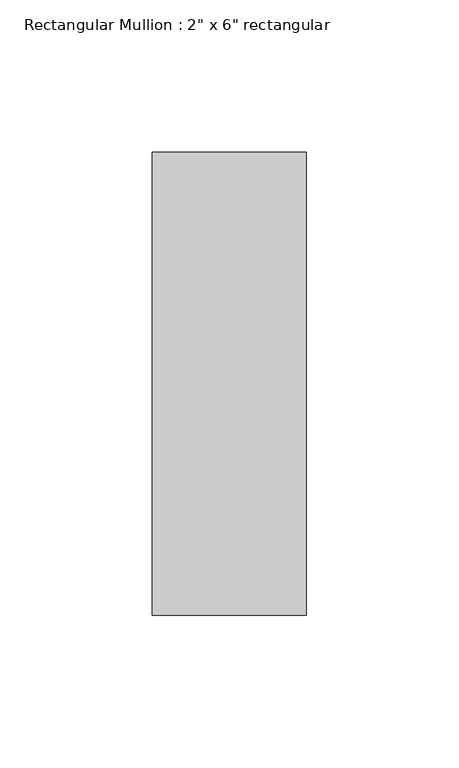
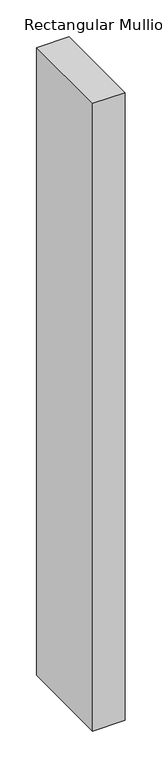
"""IFC4 building model written with IfcOpenShell, lengths in millimetres: member geometry."""

from ifc_helpers import new_model, si_unit, frame, origin, place, context, project, spatial, polyline, outline, extrude, source, transform, mapped, element, save


def member_adbec374(model_context):
    return source(origin(), model_context, "Body", "SweptSolid", [
        extrude(outline(polyline([(0.0, 76.2), (0.0, -76.2), (-50.8, -76.2), (-50.8, 76.2), (0.0, 76.2)])), frame((0.0, 0.0, -1041.4), z_axis=(0.0, 0.0, 1.0), x_axis=(1.0, 0.0, 0.0)), (0.0, 0.0, 1.0), 1041.4),
    ])


if __name__ == "__main__":
    model = new_model("IFC4")
    model_context = context("Model", 3, world=origin())
    ifc_project = project(units=[si_unit("LENGTHUNIT", "METRE", prefix="MILLI")], contexts=[model_context])
    site = spatial("IfcSite", under=ifc_project)
    building = spatial("IfcBuilding", under=site)
    placement = place(None, origin())
    member_shape = member_adbec374(model_context)
    element("IfcMember", 1, ObjectType="Rectangular Mullion : 2\" x 6\" rectangular", at=placement, inside=building, context=model_context, shape_type="MappedRepresentation", body=[
        mapped(member_shape, transform((0.0, 0.0, 0.0), x_axis=(1.0, 0.0, 0.0), y_axis=(0.0, 1.0, 0.0), z_axis=(0.0, 0.0, 1.0))),
    ])
    save(model, "model.ifc")
